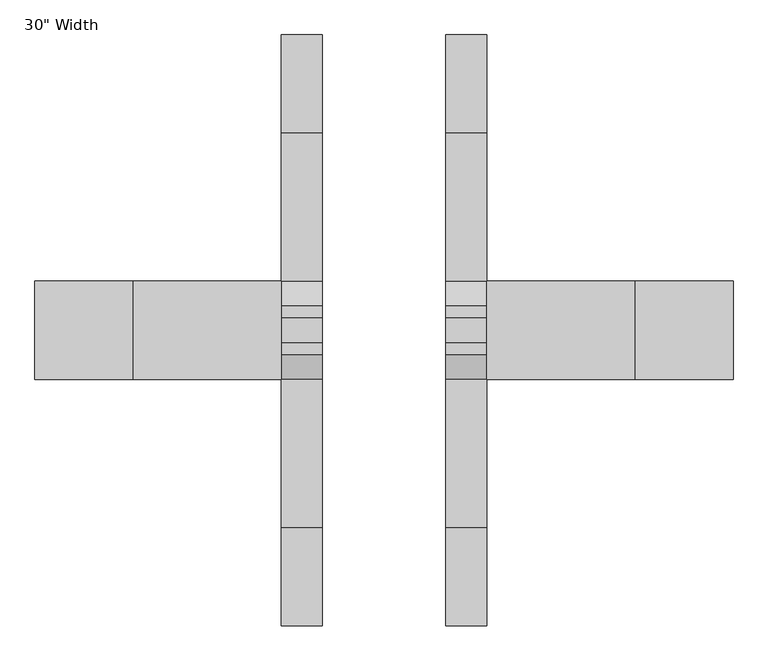
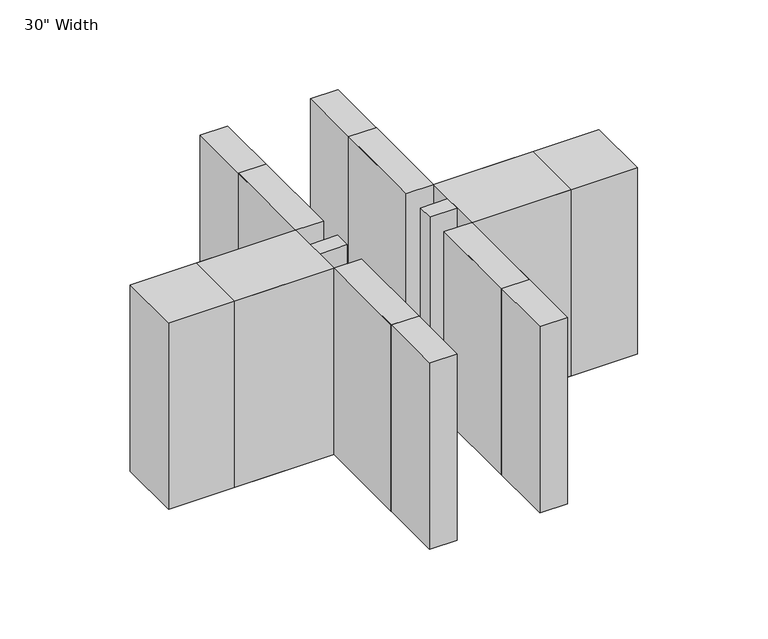
"""IFC4 building model written with IfcOpenShell, lengths in millimetres: proxy geometry."""

from ifc_helpers import new_model, si_unit, frame, origin, origin_with_axes, place, context, project, spatial, polyline, outline, extrude, source, transform, mapped, element, save


def proxy_12dc3d60(model_context):
    return source(origin(), model_context, "Body", "SweptSolid", [
        extrude(outline(polyline([(1549.4, 304.8), (1549.4, -304.8), (635.0, -304.8), (635.0, 304.8), (1549.4, 304.8)])), origin_with_axes(), (0.0, 0.0, 1.0), 1816.1),
        extrude(outline(polyline([(381.0, -1219.2), (381.0, -304.8), (635.0, -304.8), (635.0, -1219.2), (381.0, -1219.2)])), origin_with_axes(), (0.0, 0.0, 1.0), 1816.1),
        extrude(outline(polyline([(-381.0, -1219.2), (-635.0, -1219.2), (-635.0, -304.8), (-381.0, -304.8), (-381.0, -1219.2)])), origin_with_axes(), (0.0, 0.0, 1.0), 1816.1),
        extrude(outline(polyline([(381.0, 1219.2), (635.0, 1219.2), (635.0, 304.8), (381.0, 304.8), (381.0, 1219.2)])), origin_with_axes(), (0.0, 0.0, 1.0), 1816.1),
        extrude(outline(polyline([(-381.0, 1219.2), (-381.0, 304.8), (-635.0, 304.8), (-635.0, 1219.2), (-381.0, 1219.2)])), origin_with_axes(), (0.0, 0.0, 1.0), 1816.1),
        extrude(outline(polyline([(-1549.4, 304.8), (-635.0, 304.8), (-635.0, -304.8), (-1549.4, -304.8), (-1549.4, 304.8)])), origin_with_axes(), (0.0, 0.0, 1.0), 1816.1),
        extrude(outline(polyline([(2159.0, 304.8), (2159.0, -304.8), (635.0, -304.8), (635.0, 304.8), (2159.0, 304.8)])), origin_with_axes(), (0.0, 0.0, 1.0), 1816.1),
        extrude(outline(polyline([(-2159.0, 304.8), (-635.0, 304.8), (-635.0, -304.8), (-2159.0, -304.8), (-2159.0, 304.8)])), origin_with_axes(), (0.0, 0.0, 1.0), 1816.1),
        extrude(outline(polyline([(381.0, -1828.8), (381.0, -304.8), (635.0, -304.8), (635.0, -1828.8), (381.0, -1828.8)])), origin_with_axes(), (0.0, 0.0, 1.0), 1816.1),
        extrude(outline(polyline([(-381.0, -1828.8), (-635.0, -1828.8), (-635.0, -304.8), (-381.0, -304.8), (-381.0, -1828.8)])), origin_with_axes(), (0.0, 0.0, 1.0), 1816.1),
        extrude(outline(polyline([(381.0, 1828.8), (635.0, 1828.8), (635.0, 304.8), (381.0, 304.8), (381.0, 1828.8)])), origin_with_axes(), (0.0, 0.0, 1.0), 1816.1),
        extrude(outline(polyline([(-381.0, 1828.8), (-381.0, 304.8), (-635.0, 304.8), (-635.0, 1828.8), (-381.0, 1828.8)])), origin_with_axes(), (0.0, 0.0, 1.0), 1816.1),
        extrude(outline(polyline([(-381.0, 76.2), (-381.0, -76.2), (-635.0, -76.2), (-635.0, 76.2), (-381.0, 76.2)])), frame((0.0, 0.0, 254.0), z_axis=(0.0, 0.0, 1.0), x_axis=(1.0, 0.0, 0.0)), (0.0, 0.0, 1.0), 1562.1),
        extrude(outline(polyline([(-153.4472937, 254.0), (153.4472937, 254.0), (304.8, 127.0), (304.8, 0.0), (-304.8, 0.0), (-304.8, 127.0), (-153.4472937, 254.0)])), frame((-635.0, 0.0, 0.0), z_axis=(1.0, 0.0, 0.0), x_axis=(0.0, 1.0, 0.0)), (0.0, 0.0, 1.0), 254.0),
        extrude(outline(polyline([(-153.4472937, 254.0), (153.4472937, 254.0), (304.8, 127.0), (304.8, 0.0), (-304.8, 0.0), (-304.8, 127.0), (-153.4472937, 254.0)])), frame((381.0, 0.0, 0.0), z_axis=(1.0, 0.0, 0.0), x_axis=(0.0, 1.0, 0.0)), (0.0, 0.0, 1.0), 254.0),
        extrude(outline(polyline([(381.0, 76.2), (635.0, 76.2), (635.0, -76.2), (381.0, -76.2), (381.0, 76.2)])), frame((0.0, 0.0, 254.0), z_axis=(0.0, 0.0, 1.0), x_axis=(1.0, 0.0, 0.0)), (0.0, 0.0, 1.0), 1562.1),
    ])


if __name__ == "__main__":
    model = new_model("IFC4")
    model_context = context("Model", 3, world=origin())
    ifc_project = project(units=[si_unit("LENGTHUNIT", "METRE", prefix="MILLI")], contexts=[model_context])
    site = spatial("IfcSite", under=ifc_project)
    building = spatial("IfcBuilding", under=site)
    placement = place(None, origin())
    proxy_shape = proxy_12dc3d60(model_context)
    element("IfcBuildingElementProxy", 1, Name="30\" Width", ObjectType="30\" Width", at=placement, inside=building, context=model_context, shape_type="MappedRepresentation", body=[
        mapped(proxy_shape, transform((0.0, 0.0, 0.0), x_axis=(1.0, 0.0, 0.0), y_axis=(0.0, 1.0, 0.0), z_axis=(0.0, 0.0, 1.0))),
    ])
    save(model, "model.ifc")
